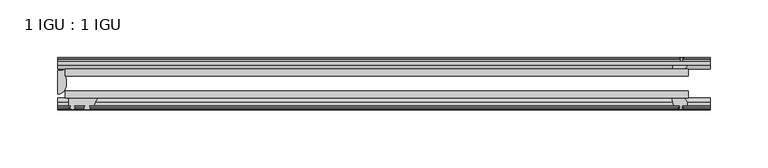
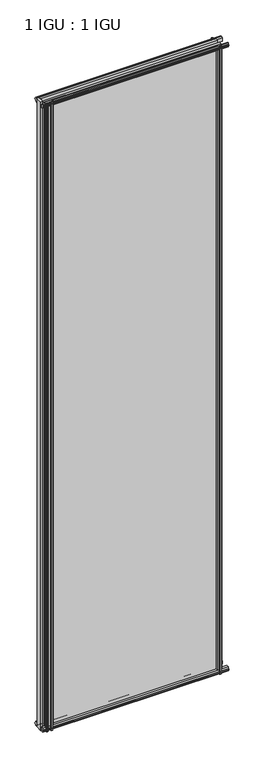
"""IFC4 building model written with IfcOpenShell, lengths in millimetres: plate geometry, 1 IGU : 1 IGU."""

from ifc_helpers import new_model, si_unit, point, frame, frame_2d, origin, place, context, project, spatial, polyline, circle_curve, ellipse_curve, trimmed, segment, composite_curve, outline, extrude, source, transform, mapped, element, save
from ifc_brep_helpers import plane_surface, cylinder_surface, revolved_surface, extruded_surface, advanced_brep


def plate_1_igu_1_igu_ec517597(model_context):
    return source(origin(), model_context, "Body", "SolidModel", [
        extrude(outline(polyline([(-276.1995836, -38.6468937), (263.4995836, -38.6468937), (263.4995836, -44.9460938), (-276.1995836, -44.9460938), (-276.1995836, -38.6468937)])), frame((0.0, 0.0, -12.7), z_axis=(0.0, 0.0, 1.0), x_axis=(1.0, 0.0, 0.0)), (0.0, 0.0, 1.0), 2019.2999999),
        extrude(outline(polyline([(-276.1995836, -19.5460937), (263.4995836, -19.5460937), (263.4995836, -25.8960938), (-276.1995836, -25.8960938), (-276.1995836, -19.5460937)])), frame((0.0, 0.0, -12.7), z_axis=(0.0, 0.0, 1.0), x_axis=(1.0, 0.0, 0.0)), (0.0, 0.0, 1.0), 2019.2999999),
        advanced_brep(
        [(-282.5495836, -21.1706006, -12.7), (-276.2009717, -19.5461438, -12.7), (-276.2009717, -25.8549351, -12.7), (-275.0256204, -32.21431, -12.7), (-282.5495836, -41.5384043, -12.7), (-282.5495836, -21.1706006, 2006.5999999), (-282.5495836, -41.5384043, 2006.5999999), (-275.0256204, -32.21431, 2006.5999999), (-276.2009717, -25.8549351, 2006.5999999), (-276.2009717, -19.5461438, 2006.5999999)],
        [
            (0, 1, circle_curve(frame((-282.550153, -7.9505008, -12.7), z_axis=(0.0, 0.0, 1.0), x_axis=(1.0, 0.0, 0.0)), 13.2200998)),
            (1, 2),
            (2, 3, circle_curve(frame((-293.0879847, -32.2643264, -12.7), z_axis=(0.0, 0.0, -1.0), x_axis=(1.0, 0.0, 0.0)), 18.0624336)),
            (3, 4, ellipse_curve(frame((-282.5487506, -32.2460921, -12.7), z_axis=(0.0, 0.0, -1.0), x_axis=(0.0, -1.0, 0.0)), 9.2923123, 7.5231742)),
            (4, 0),
            (5, 6),
            (6, 7, ellipse_curve(frame((-282.5487506, -32.2460921, 2006.5999999), z_axis=(0.0, 0.0, 1.0), x_axis=(0.0, -1.0, 0.0)), 9.2923123, 7.5231742)),
            (7, 8, circle_curve(frame((-293.0879847, -32.2643264, 2006.5999999), z_axis=(0.0, 0.0, 1.0), x_axis=(1.0, 0.0, 0.0)), 18.0624336)),
            (8, 9),
            (9, 5, circle_curve(frame((-282.550153, -7.9505008, 2006.5999999), z_axis=(0.0, 0.0, -1.0), x_axis=(1.0, 0.0, 0.0)), 13.2200998)),
            (0, 5),
            (9, 1),
            (8, 2),
            (7, 3),
            (6, 4),
        ],
        [
            plane_surface(frame((-282.5495836, -13.1960937, -12.7), z_axis=(0.0, 0.0, -1.0), x_axis=(0.0, 1.0, 0.0))),
            plane_surface(frame((-282.5495836, -13.1960937, 2006.5999999), z_axis=(0.0, 0.0, 1.0), x_axis=(0.0, 1.0, 0.0))),
            revolved_surface(polyline([(-269.3300532, -7.9505008, 2006.5999999), (-269.3300532, -7.9505008, -12.7)]), (-282.550153, -7.9505008, -12.7), (0.0, 0.0, 1.0)),
            plane_surface(frame((-276.2009717, -19.5461438, -12.7), z_axis=(1.0, 0.0, 0.0), x_axis=(0.0, 0.0, 1.0))),
            cylinder_surface(frame((-293.0879847, -32.2643264, -12.7), z_axis=(0.0, 0.0, -1.0), x_axis=(1.0, 0.0, 0.0)), 18.0624336),
            extruded_surface(trimmed(ellipse_curve(frame((-282.5487506, -32.2460921, 2006.5999999), z_axis=(0.0, 0.0, -1.0), x_axis=(0.0, -1.0, 0.0)), 9.2923123, 7.5231742), [point((-275.0256204, -32.21431, 2006.5999999))], [point((-282.5495836, -41.5384043, 2006.5999999))], True, "CARTESIAN"), (0.0, 0.0, -2019.2999999), 2019.2999999),
            plane_surface(frame((-282.5495836, -41.5384043, -12.7), z_axis=(-1.0, 0.0, 0.0), x_axis=(0.0, 0.0, 1.0))),
        ],
        [
            (0, [[1, 2, 3, 4, 5]]),
            (1, [[6, 7, 8, 9, 10]]),
            (2, [[-1, 11, -10, 12]]),
            (3, [[-2, -12, -9, 13]]),
            (4, [[-3, -13, -8, 14]]),
            (5, [[-4, -14, -7, 15]]),
            (6, [[-5, -15, -6, -11]]),
        ],
    ),
        extrude(outline(polyline([(-44.9460937, 1.7177181), (-44.9460937, -9.1036578), (-48.3496937, -11.938), (-51.2960937, -11.938), (-51.2960937, -7.493), (-53.6762907, -7.112), (-53.2163575, -8.5275291), (-54.0175717, -8.5275291), (-54.7250937, -6.35), (-54.0175717, -4.1724709), (-53.2163575, -4.1724709), (-53.6762907, -5.588), (-51.2960937, -5.207), (-51.2960937, 0.0), (-44.9460937, 1.7177181)])), frame((-282.5495836, 0.0, 0.0), z_axis=(1.0, 0.0, 0.0), x_axis=(0.0, 1.0, 0.0)), (0.0, 0.0, 1.0), 565.0991671),
        extrude(outline(polyline([(-13.1960937, -12.4587), (-16.1424937, -12.4587), (-19.5460937, -9.6243578), (-19.5460937, 1.1970181), (-13.1960937, -0.5207), (-13.1960937, -5.7277), (-10.8158968, -6.1087), (-11.27583, -4.6931709), (-10.4746158, -4.6931709), (-9.7670937, -6.8707), (-10.4746158, -9.0482291), (-11.27583, -9.0482291), (-10.8158968, -7.6327), (-13.1960937, -8.0137), (-13.1960937, -12.4587)])), frame((-282.5495836, 0.0, 0.0), z_axis=(1.0, 0.0, 0.0), x_axis=(0.0, 1.0, 0.0)), (0.0, 0.0, 1.0), 565.0991671),
        extrude(outline(polyline([(-51.2960937, 2005.8379999), (-48.3496937, 2005.8379999), (-44.9460937, 2003.0036577), (-44.9460937, 1992.1822818), (-51.2960937, 1993.8999999), (-51.2960937, 1999.1069999), (-53.6762907, 1999.4879999), (-53.2163575, 1998.0724708), (-54.0175717, 1998.0724708), (-54.7250937, 2000.2499999), (-54.0175717, 2002.4275289), (-53.2163575, 2002.4275289), (-53.6762907, 2001.0119999), (-51.2960937, 2001.3929999), (-51.2960937, 2005.8379999)])), frame((-282.5495836, 0.0, 0.0), z_axis=(1.0, 0.0, 0.0), x_axis=(0.0, 1.0, 0.0)), (0.0, 0.0, 1.0), 565.0991671),
        extrude(outline(polyline([(-19.5460937, 1992.7029818), (-19.5460937, 2003.5243577), (-16.1424937, 2006.3586999), (-13.1960937, 2006.3586999), (-13.1960937, 2001.9136999), (-10.8158968, 2001.5326999), (-11.27583, 2002.9482289), (-10.4746158, 2002.9482289), (-9.7670937, 2000.7706999), (-10.4746158, 1998.5931708), (-11.27583, 1998.5931708), (-10.8158968, 2000.0086999), (-13.1960937, 1999.6276999), (-13.1960937, 1994.4206999), (-19.5460937, 1992.7029818)])), frame((-282.5495836, 0.0, 0.0), z_axis=(1.0, 0.0, 0.0), x_axis=(0.0, 1.0, 0.0)), (0.0, 0.0, 1.0), 565.0991671),
        extrude(outline(composite_curve([segment(trimmed(circle_curve(frame_2d((-241.7836522, -51.9750196)), 9.0414579), [point((-247.4706692, -44.9460938))], [point((-250.7995837, -51.2960938))], True, "CARTESIAN"), True, "CONTINUOUS"), segment(polyline([(-250.7995837, -51.2960938), (-255.0413837, -51.2960938)]), True, "CONTINUOUS"), segment(trimmed(circle_curve(frame_2d((-255.0413837, -51.7532938)), 0.4572), [point((-255.0413837, -51.2960938))], [point((-255.3802016, -52.0602698))], True, "CARTESIAN"), True, "CONTINUOUS"), segment(trimmed(circle_curve(frame_2d((-257.1495837, -53.663367)), 2.3876), [point((-255.3802016, -52.0602698))], [point((-255.0789407, -54.8520938))], False, "CARTESIAN"), True, "CONTINUOUS"), segment(polyline([(-255.0789407, -54.8520938), (-259.2202267, -54.8520938)]), True, "CONTINUOUS"), segment(trimmed(circle_curve(frame_2d((-257.1495837, -53.663367)), 2.3876), [point((-259.2202267, -54.8520938))], [point((-258.9189659, -52.0602698))], False, "CARTESIAN"), True, "CONTINUOUS"), segment(trimmed(circle_curve(frame_2d((-259.2577837, -51.7532938)), 0.4572), [point((-258.9189659, -52.0602698))], [point((-259.2577837, -51.2960938))], True, "CARTESIAN"), True, "CONTINUOUS"), segment(polyline([(-259.2577837, -51.2960938), (-268.3255837, -51.2960938), (-268.3255837, -52.9470938), (-267.247953, -52.9470938)]), True, "CONTINUOUS"), segment(trimmed(circle_curve(frame_2d((-268.3255837, -52.9470938)), 1.0776307), [point((-267.247953, -52.9470938))], [point((-267.5635837, -53.7090938))], False, "CARTESIAN"), True, "CONTINUOUS"), segment(polyline([(-267.5635837, -53.7090938), (-269.3028761, -54.8194621)]), True, "CONTINUOUS"), segment(trimmed(circle_curve(frame_2d((-269.8495837, -53.9630938)), 1.016), [point((-269.3028761, -54.8194621))], [point((-270.3962913, -54.8194621))], False, "CARTESIAN"), True, "CONTINUOUS"), segment(polyline([(-270.3962913, -54.8194621), (-272.1355837, -53.7090938)]), True, "CONTINUOUS"), segment(trimmed(circle_curve(frame_2d((-271.3735837, -52.9470938)), 1.0776307), [point((-272.1355837, -53.7090938))], [point((-272.4512144, -52.9470938))], False, "CARTESIAN"), True, "CONTINUOUS"), segment(polyline([(-272.4512144, -52.9470938), (-271.3735837, -52.9470938), (-271.3735837, -51.2960938), (-273.0245837, -51.2960938), (-273.0245837, -44.9460938), (-247.4706692, -44.9460938)]), True, "CONTINUOUS")], self_intersect=False)), frame((0.0, 0.0, -12.7), z_axis=(0.0, 0.0, 1.0), x_axis=(1.0, 0.0, 0.0)), (0.0, 0.0, 1.0), 2019.3),
        extrude(outline(polyline([(249.6025655, -19.5460938), (251.3202836, -13.1960938), (256.5272836, -13.1960938), (256.9082836, -10.8158968), (255.4927545, -11.27583), (255.4927545, -10.4746158), (257.6702836, -9.7670938), (259.8478126, -10.4746158), (259.8478126, -11.27583), (258.4322836, -10.8158968), (258.8132836, -13.1960938), (263.2582836, -13.1960938), (263.2582836, -16.1424938), (260.4239414, -19.5460938), (249.6025655, -19.5460938)])), frame((0.0, 0.0, -12.7), z_axis=(0.0, 0.0, 1.0), x_axis=(1.0, 0.0, 0.0)), (0.0, 0.0, 1.0), 2019.3),
        extrude(outline(polyline([(249.0818655, -44.9460938), (259.9032414, -44.9460938), (262.7375836, -48.3496938), (262.7375836, -51.2960938), (258.2925836, -51.2960938), (257.9115836, -53.6762907), (259.3271126, -53.2163575), (259.3271126, -54.0175717), (257.1495836, -54.7250938), (254.9720545, -54.0175717), (254.9720545, -53.2163575), (256.3875836, -53.6762907), (256.0065836, -51.2960938), (250.7995836, -51.2960938), (249.0818655, -44.9460938)])), frame((0.0, 0.0, -12.7), z_axis=(0.0, 0.0, 1.0), x_axis=(1.0, 0.0, 0.0)), (0.0, 0.0, 1.0), 2019.3),
    ])


if __name__ == "__main__":
    model = new_model("IFC4")
    model_context = context("Model", 3, world=origin())
    ifc_project = project(units=[si_unit("LENGTHUNIT", "METRE", prefix="MILLI")], contexts=[model_context])
    site = spatial("IfcSite", under=ifc_project)
    building = spatial("IfcBuilding", under=site)
    placement = place(None, origin())
    plate_1_igu_1_igu_shape = plate_1_igu_1_igu_ec517597(model_context)
    element("IfcPlate", 1, ObjectType="1 IGU : 1 IGU", at=placement, inside=building, context=model_context, shape_type="MappedRepresentation", body=[
        mapped(plate_1_igu_1_igu_shape, transform((0.0, 0.0, 0.0), x_axis=(1.0, 0.0, 0.0), y_axis=(0.0, 1.0, 0.0), z_axis=(0.0, 0.0, 1.0))),
    ])
    save(model, "model.ifc")
